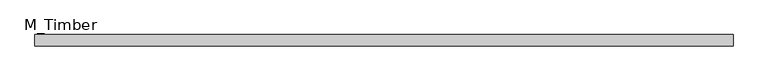
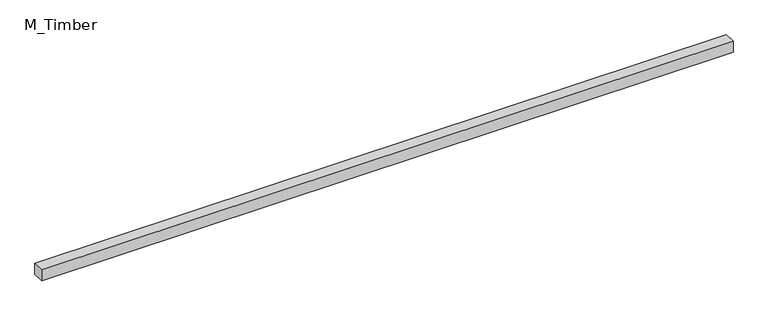
"""IFC4 building model written with IfcOpenShell, lengths in millimetres: beam geometry, M_Timber."""

from ifc_helpers import new_model, si_unit, frame, origin, place, context, project, spatial, polyline, outline, extrude, source, transform, mapped, element, save


def m_timber_8145f5b3(model_context):
    return source(origin(), model_context, "Body", "SweptSolid", [
        extrude(outline(polyline([(1211.4657525, 20.0), (1211.4657525, -20.0), (-1211.4657525, -20.0), (-1211.4657525, 20.0), (1211.4657525, 20.0)])), frame((0.0, 0.0, -20.0), z_axis=(0.0, 0.0, 1.0), x_axis=(1.0, 0.0, 0.0)), (0.0, 0.0, 1.0), 40.0),
    ])


if __name__ == "__main__":
    model = new_model("IFC4")
    model_context = context("Model", 3, world=origin())
    ifc_project = project(units=[si_unit("LENGTHUNIT", "METRE", prefix="MILLI")], contexts=[model_context])
    site = spatial("IfcSite", under=ifc_project)
    building = spatial("IfcBuilding", under=site)
    placement = place(None, origin())
    m_timber_shape = m_timber_8145f5b3(model_context)
    element("IfcBeam", 1, ObjectType="M_Timber", at=placement, inside=building, context=model_context, shape_type="MappedRepresentation", body=[
        mapped(m_timber_shape, transform((0.0, 0.0, 0.0), x_axis=(1.0, 0.0, 0.0), y_axis=(0.0, 1.0, 0.0), z_axis=(0.0, 0.0, 1.0))),
    ])
    save(model, "model.ifc")
